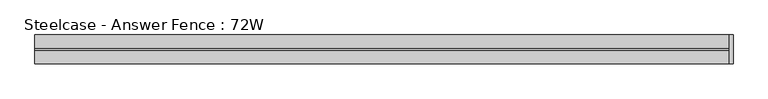
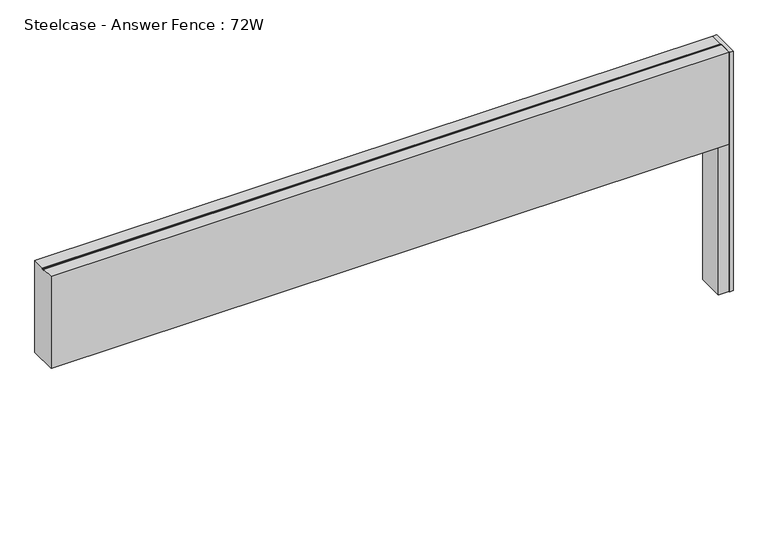
"""IFC4 building model written with IfcOpenShell, lengths in millimetres: furniture geometry, Steelcase - Answer Fence : 72W."""

from ifc_helpers import new_model, si_unit, frame, origin, place, context, project, spatial, polyline, circle_curve, outline, extrude, source, transform, mapped, element, save
from ifc_brep_helpers import plane_surface, cylinder_surface, revolved_surface, advanced_brep


def steelcase_answer_fence_72w_65c899a9(model_context):
    return source(origin(), model_context, "Body", "SolidModel", [
        advanced_brep(
        [(1798.0140299, -7.4168014, -3.29e-05), (1772.5630726, -7.4168014, -3.29e-05), (1785.2885512, -7.4168014, -3.29e-05), (1798.0140299, -7.4168014, 2.446593), (1772.5630726, -7.4168014, 2.446593), (1790.2434775, -7.4168014, 4.8561413), (1780.333625, -7.4168014, 4.8561413), (1789.1612872, -7.4168014, 4.8561413), (1781.4158153, -7.4168014, 4.8561413), (1789.1612872, -7.4168014, 15.4939671), (1781.4158153, -7.4168014, 15.4939671), (1785.2885512, -7.4168014, 15.4939671)],
        [
            (0, 1, circle_curve(frame((1785.2885512, -7.4168014, -3.29e-05), z_axis=(0.0, 0.0, -1.0), x_axis=(-1.0, 0.0, 0.0)), 12.7254787)),
            (1, 2),
            (2, 0),
            (1, 0, circle_curve(frame((1785.2885512, -7.4168014, -3.29e-05), z_axis=(0.0, 0.0, -1.0), x_axis=(-1.0, 0.0, 0.0)), 12.7254787)),
            (3, 4, circle_curve(frame((1785.2885512, -7.4168014, 2.446593), z_axis=(0.0, 0.0, -1.0), x_axis=(-1.0, 0.0, 0.0)), 12.7254787)),
            (4, 1),
            (0, 3),
            (4, 3, circle_curve(frame((1785.2885512, -7.4168014, 2.446593), z_axis=(0.0, 0.0, -1.0), x_axis=(-1.0, 0.0, 0.0)), 12.7254787)),
            (5, 6, circle_curve(frame((1785.2885512, -7.4168014, 4.8561413), z_axis=(0.0, 0.0, -1.0), x_axis=(-1.0, 0.0, 0.0)), 4.9549262)),
            (6, 4),
            (3, 5),
            (6, 5, circle_curve(frame((1785.2885512, -7.4168014, 4.8561413), z_axis=(0.0, 0.0, -1.0), x_axis=(-1.0, 0.0, 0.0)), 4.9549262)),
            (7, 8, circle_curve(frame((1785.2885512, -7.4168014, 4.8561413), z_axis=(0.0, 0.0, -1.0), x_axis=(-1.0, 0.0, 0.0)), 3.8727359)),
            (8, 6),
            (5, 7),
            (8, 7, circle_curve(frame((1785.2885512, -7.4168014, 4.8561413), z_axis=(0.0, 0.0, -1.0), x_axis=(-1.0, 0.0, 0.0)), 3.8727359)),
            (9, 10, circle_curve(frame((1785.2885512, -7.4168014, 15.4939671), z_axis=(0.0, 0.0, -1.0), x_axis=(-1.0, 0.0, 0.0)), 3.8727359)),
            (10, 8),
            (7, 9),
            (10, 9, circle_curve(frame((1785.2885512, -7.4168014, 15.4939671), z_axis=(0.0, 0.0, -1.0), x_axis=(-1.0, 0.0, 0.0)), 3.8727359)),
            (11, 10),
            (9, 11),
        ],
        [
            plane_surface(frame((1785.2885512, -7.4168014, -3.29e-05), z_axis=(0.0, 0.0, -1.0), x_axis=(-1.0, 0.0, 0.0))),
            cylinder_surface(frame((1785.2885512, -7.4168014, -1.135133), z_axis=(0.0, 0.0, 1.0), x_axis=(-1.0, 0.0, 0.0)), 12.7254787),
            revolved_surface(polyline([(1772.5630726, -7.4168014, 2.446593), (1780.333625, -7.4168014, 4.8561413)]), (1785.2885512, -7.4168014, -1.135133), (0.0, 0.0, 1.0)),
            plane_surface(frame((1785.2885512, -7.4168014, 4.8561413), z_axis=(0.0, 0.0, 1.0), x_axis=(-1.0, 0.0, 0.0))),
            cylinder_surface(frame((1785.2885512, -7.4168014, -1.135133), z_axis=(0.0, 0.0, 1.0), x_axis=(-1.0, 0.0, 0.0)), 3.8727359),
            plane_surface(frame((1785.2885512, -7.4168014, 15.4939671), z_axis=(0.0, 0.0, 1.0), x_axis=(-1.0, 0.0, 0.0))),
        ],
        [
            (0, [[1, 2, 3]]),
            (0, [[4, -3, -2]]),
            (1, [[5, 6, -1, 7]]),
            (1, [[8, -7, -4, -6]]),
            (2, [[9, 10, -5, 11]]),
            (2, [[12, -11, -8, -10]]),
            (3, [[13, 14, -9, 15]]),
            (3, [[16, -15, -12, -14]]),
            (4, [[17, 18, -13, 19]]),
            (4, [[20, -19, -16, -18]]),
            (5, [[21, -17, 22]]),
            (5, [[-22, -20, -21]]),
        ],
    ),
        extrude(outline(polyline([(1760.503178, 28.9756526), (1788.6512543, 28.9756526), (1788.6512543, 17.9388808), (1771.4288215, 17.9388808), (1771.4288215, -32.8611192), (1788.6381573, -32.8611192), (1788.6381573, -43.7191471), (1760.503178, -43.7191471), (1760.503178, 28.9756526)])), frame((0.0, 0.0, 15.4939671), z_axis=(0.0, 0.0, 1.0), x_axis=(1.0, 0.0, 0.0)), (0.0, 0.0, 1.0), 420.9763759),
        extrude(outline(polyline([(1798.8344464, 30.7299), (1798.8344464, -45.5635028), (1788.668, -45.5635028), (1788.668, 30.7299), (1798.8344464, 30.7299)])), frame((0.0, 0.0, 15.4939671), z_axis=(0.0, 0.0, 1.0), x_axis=(1.0, 0.0, 0.0)), (0.0, 0.0, 1.0), 683.006),
        extrude(outline(polyline([(30.6507456, 698.5), (30.6507456, 436.470343), (-45.5168014, 436.470343), (-45.5168014, 698.5), (-10.7419756, 698.5), (-10.7419756, 695.721875), (-4.4428302, 695.721875), (-4.4428302, 698.5), (30.6507456, 698.5)])), frame((-38.1, 0.0, 0.0), z_axis=(1.0, 0.0, 0.0), x_axis=(0.0, 1.0, 0.0)), (0.0, 0.0, 1.0), 1826.768),
    ])


if __name__ == "__main__":
    model = new_model("IFC4")
    model_context = context("Model", 3, world=origin())
    ifc_project = project(units=[si_unit("LENGTHUNIT", "METRE", prefix="MILLI")], contexts=[model_context])
    site = spatial("IfcSite", under=ifc_project)
    building = spatial("IfcBuilding", under=site)
    placement = place(None, origin())
    steelcase_answer_fence_72w_shape = steelcase_answer_fence_72w_65c899a9(model_context)
    element("IfcFurniture", 1, ObjectType="Steelcase - Answer Fence : 72W", at=placement, inside=building, context=model_context, shape_type="MappedRepresentation", body=[
        mapped(steelcase_answer_fence_72w_shape, transform((0.0, 0.0, 0.0), x_axis=(1.0, 0.0, 0.0), y_axis=(0.0, 1.0, 0.0), z_axis=(0.0, 0.0, 1.0))),
    ])
    save(model, "model.ifc")
